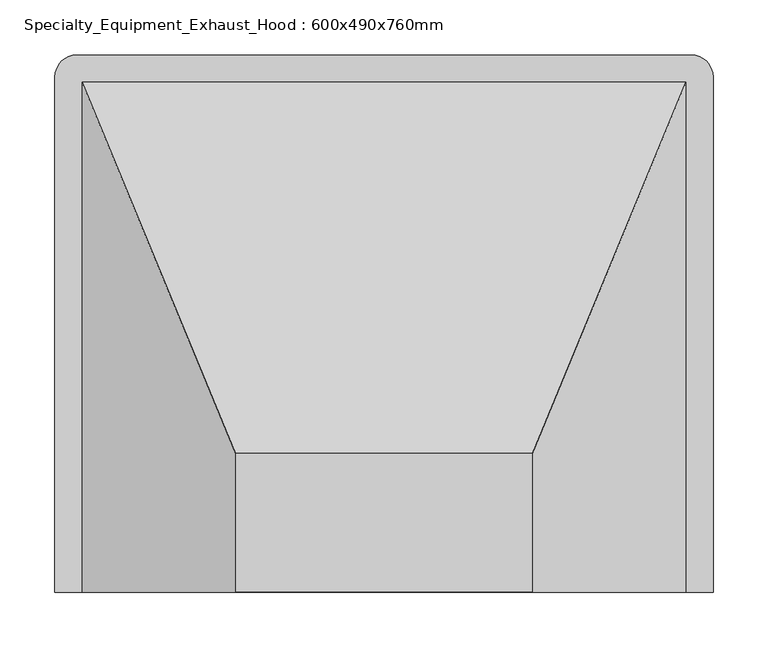
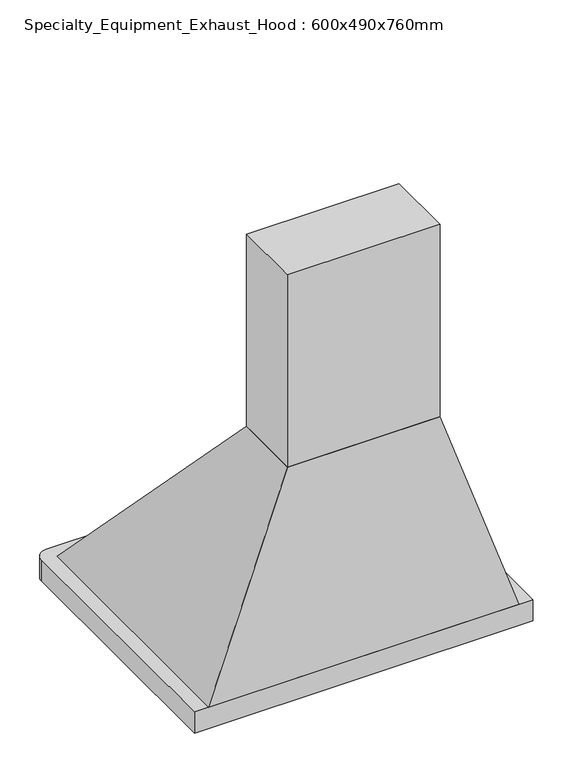
"""IFC4 building model written with IfcOpenShell, lengths in millimetres: proxy geometry, Specialty_Equipment_Exhaust_Hood : 600x490x760mm."""

from ifc_helpers import new_model, si_unit, point, frame, frame_2d, origin, place, context, project, spatial, polyline, circle_curve, trimmed, segment, composite_curve, outline, extrude, faceted_brep, source, transform, mapped, element, save


def specialty_equipment_exhaust_hood_600x490x760mm_019facab(model_context):
    return source(origin(), model_context, "Body", "SolidModel", [
        faceted_brep([(-157.4217872, 226.2, 2040.0), (-157.4217872, 100.0, 2040.0), (112.5782128, 100.0, 2040.0), (112.5782128, 226.2, 2040.0), (-297.4217872, 565.0, 1640.0), (252.5782128, 565.0, 1640.0), (252.5782128, 100.0, 1640.0), (-297.4217872, 100.0, 1640.0)], [[[0, 1, 2, 3]], [[4, 5, 6, 7]], [[4, 7, 1, 0]], [[7, 6, 2, 1]], [[6, 5, 3, 2]], [[5, 4, 0, 3]]]),
        extrude(outline(polyline([(112.5782128, 226.2), (112.5782128, 100.0), (-157.4217872, 100.0), (-157.4217872, 226.2), (112.5782128, 226.2)])), frame((0.0, 0.0, 2040.0), z_axis=(0.0, 0.0, 1.0), x_axis=(1.0, 0.0, 0.0)), (0.0, 0.0, 1.0), 360.0),
        extrude(outline(composite_curve([segment(trimmed(circle_curve(frame_2d((257.5782128, 570.0)), 20.0), [point((257.5782128, 590.0))], [point((277.5782128, 570.0))], False, "CARTESIAN"), True, "CONTINUOUS"), segment(polyline([(277.5782128, 570.0), (277.5782128, 100.0), (-322.4217872, 100.0), (-322.4217872, 570.0)]), True, "CONTINUOUS"), segment(trimmed(circle_curve(frame_2d((-302.4217872, 570.0)), 20.0), [point((-322.4217872, 570.0))], [point((-302.4217872, 590.0))], False, "CARTESIAN"), True, "CONTINUOUS"), segment(polyline([(-302.4217872, 590.0), (257.5782128, 590.0)]), True, "CONTINUOUS")], self_intersect=False)), frame((0.0, 0.0, 1600.0), z_axis=(0.0, 0.0, 1.0), x_axis=(1.0, 0.0, 0.0)), (0.0, 0.0, 1.0), 40.0),
    ])


if __name__ == "__main__":
    model = new_model("IFC4")
    model_context = context("Model", 3, world=origin())
    ifc_project = project(units=[si_unit("LENGTHUNIT", "METRE", prefix="MILLI")], contexts=[model_context])
    site = spatial("IfcSite", under=ifc_project)
    building = spatial("IfcBuilding", under=site)
    placement = place(None, origin())
    specialty_equipment_exhaust_hood_600x490x760mm_shape = specialty_equipment_exhaust_hood_600x490x760mm_019facab(model_context)
    element("IfcBuildingElementProxy", 1, Name="Specialty_Equipment_Exhaust_Hood : 600x490x760mm", ObjectType="Specialty_Equipment_Exhaust_Hood : 600x490x760mm", at=placement, inside=building, context=model_context, shape_type="MappedRepresentation", body=[
        mapped(specialty_equipment_exhaust_hood_600x490x760mm_shape, transform((0.0, 0.0, 0.0), x_axis=(1.0, 0.0, 0.0), y_axis=(0.0, 1.0, 0.0), z_axis=(0.0, 0.0, 1.0))),
    ])
    save(model, "model.ifc")
